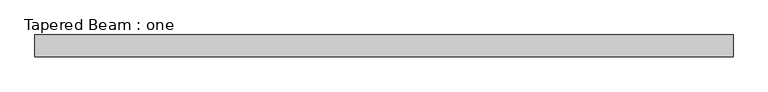
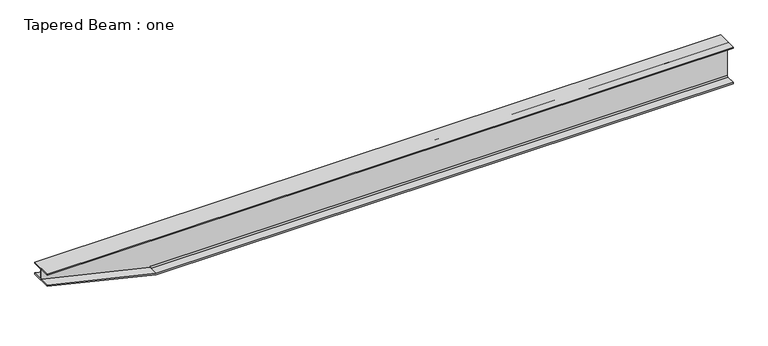
"""IFC4 building model written with IfcOpenShell, lengths in millimetres: beam geometry, Tapered Beam : one."""

from ifc_helpers import new_model, si_unit, frame, origin, place, context, project, spatial, polyline, circle_curve, source, transform, mapped, element, save
from ifc_brep_helpers import plane_surface, revolved_surface, advanced_brep


def tapered_beam_one_88a07baf(model_context):
    return source(origin(), model_context, "Body", "AdvancedBrep", [
        advanced_brep(
        [(3429.0, 127.0, -214.376), (3429.0, 21.844, -214.376), (3429.0, 4.318, -196.85), (3429.0, 4.318, 196.85), (3429.0, 21.844, 214.376), (3429.0, 127.0, 214.376), (3429.0, 127.0, 228.6), (3429.0, -127.0, 228.6), (3429.0, -127.0, 214.376), (3429.0, -21.844, 214.376), (3429.0, -4.318, 196.85), (3429.0, -4.318, -196.85), (3429.0, -21.844, -214.376), (3429.0, -127.0, -214.376), (3429.0, -127.0, -228.6), (3429.0, 127.0, -228.6), (-3429.0, -4.318, 196.85), (-3429.0, -21.844, 214.376), (-3429.0, -4.318, 214.376), (-3429.0, 21.844, 214.376), (-3429.0, 4.318, 196.85), (-3429.0, 4.318, 214.376), (-3429.0, -4.318, -196.85), (-3429.0, -4.318, -213.9223259), (-3429.0, -17.8821361, -213.9223259), (-3429.0, 4.318, -213.9223259), (-3429.0, 4.318, -196.85), (-3429.0, 17.8821361, -213.9223259), (-3429.0, 127.0, -214.376), (-3429.0, 21.844, -214.376), (-4724.4, 4.318, 90.8776741), (-4724.4, 4.318, 214.376), (-4724.4, 127.0, 214.376), (-4724.4, -127.0, 214.376), (-4724.4, -4.318, 214.376), (-4724.4, 127.0, 228.6), (-4724.4, -127.0, 228.6), (-4724.4, -4.318, 90.8776741), (-3429.0, -21.844, -214.376), (-3429.0, -127.0, -214.376), (-3429.0, -127.0, -213.9223259), (-4724.4, -127.0, 90.8776741), (-4724.4, -127.0, 76.2), (-3429.0, -127.0, -228.6), (-3429.0, 127.0, -228.6), (-4724.4, 127.0, 76.2), (-4724.4, 127.0, 90.8776741), (-3429.0, 127.0, -213.9223259)],
        [
            (0, 1),
            (1, 2, circle_curve(frame((3429.0, 21.844, -196.85), z_axis=(-1.0, 0.0, 0.0), x_axis=(0.0, -1.0, 0.0)), 17.526)),
            (2, 3),
            (3, 4, circle_curve(frame((3429.0, 21.844, 196.85), z_axis=(-1.0, 0.0, 0.0), x_axis=(0.0, -1.0, 0.0)), 17.526)),
            (4, 5),
            (5, 6),
            (6, 7),
            (7, 8),
            (8, 9),
            (9, 10, circle_curve(frame((3429.0, -21.844, 196.85), z_axis=(-1.0, 0.0, 0.0), x_axis=(0.0, -1.0, 0.0)), 17.526)),
            (10, 11),
            (11, 12, circle_curve(frame((3429.0, -21.844, -196.85), z_axis=(-1.0, 0.0, 0.0), x_axis=(0.0, -1.0, 0.0)), 17.526)),
            (12, 13),
            (13, 14),
            (14, 15),
            (15, 0),
            (16, 17, circle_curve(frame((-3429.0, -21.844, 196.85), z_axis=(1.0, 0.0, 0.0), x_axis=(0.0, -1.0, 0.0)), 17.526)),
            (17, 18),
            (18, 16),
            (19, 20, circle_curve(frame((-3429.0, 21.844, 196.85), z_axis=(1.0, 0.0, 0.0), x_axis=(0.0, -1.0, 0.0)), 17.526)),
            (20, 21),
            (21, 19),
            (22, 23),
            (23, 24),
            (24, 22, circle_curve(frame((-3429.0, -21.844, -196.85), z_axis=(1.0, 0.0, 0.0), x_axis=(0.0, -1.0, 0.0)), 17.526)),
            (25, 26),
            (26, 27, circle_curve(frame((-3429.0, 21.844, -196.85), z_axis=(1.0, 0.0, 0.0), x_axis=(0.0, -1.0, 0.0)), 17.526)),
            (27, 25),
            (0, 28),
            (28, 29),
            (29, 1),
            (29, 27, circle_curve(frame((-3429.0, 21.844, -196.85), z_axis=(-1.0, 0.0, 0.0), x_axis=(0.0, -1.0, 0.0)), 17.526)),
            (26, 2),
            (25, 30),
            (30, 31),
            (31, 21),
            (20, 3),
            (19, 4),
            (31, 32),
            (32, 5),
            (33, 34),
            (34, 18),
            (17, 9),
            (8, 33),
            (32, 35),
            (35, 6),
            (35, 36),
            (36, 7),
            (36, 33),
            (16, 10),
            (34, 37),
            (37, 23),
            (22, 11),
            (24, 38, circle_curve(frame((-3429.0, -21.844, -196.85), z_axis=(-1.0, 0.0, 0.0), x_axis=(0.0, -1.0, 0.0)), 17.526)),
            (38, 12),
            (38, 39),
            (39, 13),
            (39, 40),
            (40, 41),
            (41, 42),
            (42, 43),
            (43, 14),
            (43, 44),
            (44, 15),
            (44, 45),
            (45, 46),
            (46, 47),
            (47, 28),
            (30, 46),
            (45, 42),
            (41, 37),
            (24, 40),
            (47, 27),
        ],
        [
            plane_surface(frame((3429.0, 0.0, 0.0), z_axis=(1.0, 0.0, 0.0), x_axis=(0.0, 0.0, 1.0))),
            plane_surface(frame((-3429.0, 0.0, 0.0), z_axis=(-1.0, 0.0, 0.0), x_axis=(0.0, 0.0, 1.0))),
            plane_surface(frame((3429.0, 127.0, -214.376), z_axis=(0.0, 0.0, 1.0), x_axis=(-1.0, 0.0, 0.0))),
            revolved_surface(polyline([(-3429.0, 4.318000000000001, -196.85), (3429.0, 4.318000000000001, -196.85)]), (3429.0, 21.844, -196.85), (-1.0, 0.0, 0.0)),
            plane_surface(frame((3429.0, 4.318, -196.85), z_axis=(0.0, 1.0, 0.0), x_axis=(-1.0, 0.0, 0.0))),
            revolved_surface(polyline([(-3429.0, 4.318000000000001, 196.85), (3429.0, 4.318000000000001, 196.85)]), (3429.0, 21.844, 196.85), (-1.0, 0.0, 0.0)),
            plane_surface(frame((3429.0, 21.844, 214.376), z_axis=(0.0, 0.0, -1.0), x_axis=(-1.0, 0.0, 0.0))),
            plane_surface(frame((3429.0, 127.0, 214.376), z_axis=(0.0, 1.0, 0.0), x_axis=(-1.0, 0.0, 0.0))),
            plane_surface(frame((3429.0, 127.0, 228.6), z_axis=(0.0, 0.0, 1.0), x_axis=(-1.0, 0.0, 0.0))),
            plane_surface(frame((3429.0, -127.0, 228.6), z_axis=(0.0, -1.0, 0.0), x_axis=(-1.0, 0.0, 0.0))),
            revolved_surface(polyline([(-3429.0, -39.370000000000005, 196.85), (3429.0, -39.370000000000005, 196.85)]), (3429.0, -21.844, 196.85), (-1.0, 0.0, 0.0)),
            plane_surface(frame((3429.0, -4.318, 196.85), z_axis=(0.0, -1.0, 0.0), x_axis=(-1.0, 0.0, 0.0))),
            revolved_surface(polyline([(-3429.0, -39.370000000000005, -196.85), (3429.0, -39.370000000000005, -196.85)]), (3429.0, -21.844, -196.85), (-1.0, 0.0, 0.0)),
            plane_surface(frame((3429.0, -21.844, -214.376), z_axis=(0.0, 0.0, 1.0), x_axis=(-1.0, 0.0, 0.0))),
            plane_surface(frame((3429.0, -127.0, -214.376), z_axis=(0.0, -1.0, 0.0), x_axis=(-1.0, 0.0, 0.0))),
            plane_surface(frame((3429.0, -127.0, -228.6), z_axis=(0.0, 0.0, -1.0), x_axis=(-1.0, 0.0, 0.0))),
            plane_surface(frame((3429.0, 127.0, -228.6), z_axis=(0.0, 1.0, 0.0), x_axis=(-1.0, 0.0, 0.0))),
            plane_surface(frame((-4724.4, -4.318, 214.376), z_axis=(-1.0, 0.0, 0.0), x_axis=(0.0, 1.0, 0.0))),
            plane_surface(frame((-4724.4, -127.0, 76.2), z_axis=(-0.2290393337255367, 0.0, -0.9734171683335785), x_axis=(0.0, 1.0, 0.0))),
            plane_surface(frame((-3429.0, -127.0, -228.6), z_axis=(1.0, 0.0, 0.0), x_axis=(0.0, 1.0, 0.0))),
            plane_surface(frame((-3429.0, -127.0, -213.9223259), z_axis=(0.2290393337255367, 0.0, 0.9734171683335785), x_axis=(0.0, 1.0, 0.0))),
        ],
        [
            (0, [[1, 2, 3, 4, 5, 6, 7, 8, 9, 10, 11, 12, 13, 14, 15, 16]]),
            (1, [[17, 18, 19]]),
            (1, [[20, 21, 22]]),
            (1, [[23, 24, 25]]),
            (1, [[26, 27, 28]]),
            (2, [[-1, 29, 30, 31]]),
            (3, [[-2, -31, 32, -27, 33]]),
            (4, [[-3, -33, -26, 34, 35, 36, -21, 37]]),
            (5, [[-4, -37, -20, 38]]),
            (6, [[-5, -38, -22, -36, 39, 40]]),
            (6, [[41, 42, -18, 43, -9, 44]]),
            (7, [[-6, -40, 45, 46]]),
            (8, [[-7, -46, 47, 48]]),
            (9, [[-44, -8, -48, 49]]),
            (10, [[-10, -43, -17, 50]]),
            (11, [[-11, -50, -19, -42, 51, 52, -23, 53]]),
            (12, [[-12, -53, -25, 54, 55]]),
            (13, [[-13, -55, 56, 57]]),
            (14, [[-14, -57, 58, 59, 60, 61, 62]]),
            (15, [[-15, -62, 63, 64]]),
            (16, [[-16, -64, 65, 66, 67, 68, -29]]),
            (17, [[-51, -41, -49, -47, -45, -39, -35, 69, -66, 70, -60, 71]]),
            (18, [[-61, -70, -65, -63]]),
            (19, [[-58, -56, -54, 72]]),
            (19, [[-68, 73, -32, -30]]),
            (20, [[-59, -72, -24, -52, -71]]),
            (20, [[-67, -69, -34, -28, -73]]),
        ],
    ),
    ])


if __name__ == "__main__":
    model = new_model("IFC4")
    model_context = context("Model", 3, world=origin())
    ifc_project = project(units=[si_unit("LENGTHUNIT", "METRE", prefix="MILLI")], contexts=[model_context])
    site = spatial("IfcSite", under=ifc_project)
    building = spatial("IfcBuilding", under=site)
    placement = place(None, origin())
    tapered_beam_one_shape = tapered_beam_one_88a07baf(model_context)
    element("IfcBeam", 1, ObjectType="Tapered Beam : one", at=placement, inside=building, context=model_context, shape_type="MappedRepresentation", body=[
        mapped(tapered_beam_one_shape, transform((0.0, 0.0, 0.0), x_axis=(1.0, 0.0, 0.0), y_axis=(0.0, 1.0, 0.0), z_axis=(0.0, 0.0, 1.0))),
    ])
    save(model, "model.ifc")
